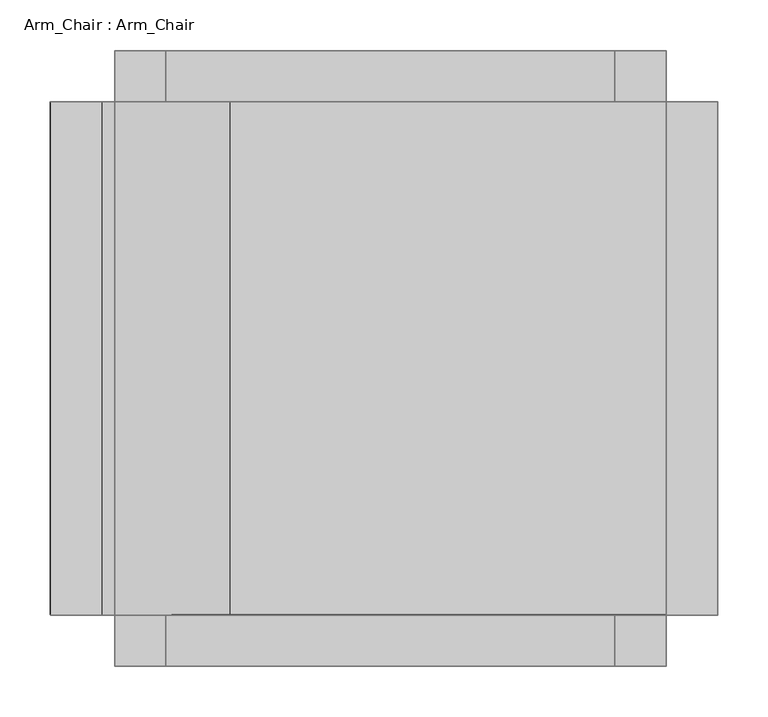
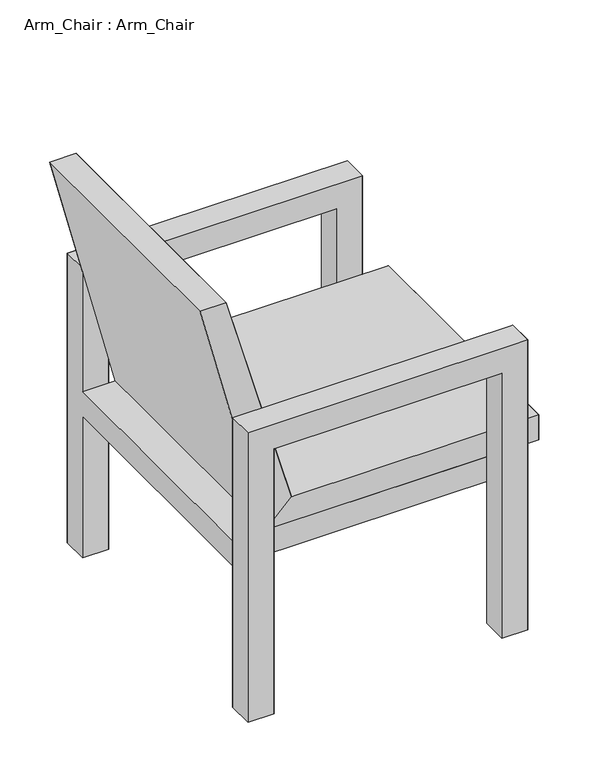
"""IFC4 building model written with IfcOpenShell, lengths in millimetres: furniture geometry, Arm_Chair : Arm_Chair."""

from ifc_helpers import new_model, si_unit, origin, place, context, project, spatial, triangles, source, transform, mapped, element, save


def arm_chair_arm_chair_cb7ce317(model_context):
    return source(origin(), model_context, "Body", "Tessellation", [
        triangles([(63.4999985, -253.9999939, 342.9000363), (609.6, -253.9999939, 342.9000363), (609.6, 253.9999939, 342.8999637), (63.4999985, 253.9999939, 342.8999637), (609.6, -304.8, 596.9000484), (609.6, -253.9999939, 596.9000121), (63.4999985, -304.8, 596.9000484), (63.4999985, -253.9999939, 596.9000121), (609.6, 253.9999939, 596.9000121), (609.6, 304.8, 596.8999394), (63.4999985, 304.8, 596.8999394), (63.4999985, 253.9999939, 596.9000121)], [[1, 2, 3], [3, 4, 1], [5, 6, 7], [8, 7, 6], [9, 10, 11], [11, 12, 9]], closed=False),
        triangles([(609.6, -253.9999939, 342.9000363), (609.6, -253.9999939, 292.1000303), (609.6, 253.9999939, 342.8999637), (609.6, 253.9999939, 292.0999758), (609.6, 304.8000363, 596.8999394), (609.6, 254.0000303, 596.9000121), (609.6, 304.7999818, -2.66e-05), (609.6, 253.9999758, -2.22e-05), (63.4999985, 304.8000363, 596.8999394), (63.4999985, 254.0000303, 596.9000121), (63.4999985, 304.7999818, -2.66e-05), (63.4999985, 253.9999758, -2.22e-05), (63.4999985, -253.9999939, 342.9000363), (63.4999985, -253.9999939, 292.1000303), (63.4999985, 253.9999939, 342.8999637), (63.4999985, 253.9999939, 292.0999758), (63.4999985, -253.9999758, 596.9000121), (63.4999985, -304.7999818, 596.9000484), (63.4999985, -254.0000303, 2.22e-05), (63.4999985, -304.8000363, 2.66e-05), (609.6, -253.9999758, 596.9000121), (609.6, -304.7999818, 596.9000484), (609.6, -254.0000303, 2.22e-05), (609.6, -304.8000363, 2.66e-05), (558.8000121, 304.8000363, 546.0999516), (558.8000121, 254.0000303, 546.0999879), (558.8000121, 304.7999818, -2.66e-05), (558.8000121, 253.9999758, -2.22e-05), (114.3, 254.0000303, 546.0999879), (114.3, 253.9999758, -2.22e-05), (114.3, 304.8000363, 546.0999516), (114.3, 304.7999818, -2.66e-05), (558.8000121, -253.9999758, 546.0999879), (558.8000121, -304.7999818, 546.1000606), (558.8000121, -254.0000303, 2.22e-05), (558.8000121, -304.8000363, 2.66e-05), (114.3, -304.7999818, 546.1000606), (114.3, -304.8000363, 2.66e-05), (114.3, -253.9999758, 546.0999879), (114.3, -254.0000303, 2.22e-05)], [[1, 2, 3], [4, 3, 2], [5, 6, 7], [8, 7, 6], [9, 10, 11], [12, 11, 10], [13, 14, 15], [16, 15, 14], [17, 18, 19], [20, 19, 18], [21, 22, 23], [24, 23, 22], [25, 26, 27], [28, 27, 26], [29, 30, 31], [32, 31, 30], [33, 34, 35], [36, 35, 34], [37, 38, 39], [40, 39, 38]], closed=False),
        triangles([(609.6, 304.8000363, 596.8999394), (609.6, 304.7999818, -2.66e-05), (558.8000121, 304.8000363, 546.0999516), (558.8000121, 304.7999818, -2.66e-05), (63.4999985, 304.8000363, 596.8999394), (114.3, 304.8000363, 546.0999516), (63.4999985, 304.7999818, -2.66e-05), (114.3, 304.7999818, -2.66e-05), (63.4999985, 254.0000303, 596.9000121), (114.3, 254.0000303, 546.0999879), (63.4999985, 253.9999758, -2.22e-05), (114.3, 253.9999758, -2.22e-05), (609.6, 254.0000303, 596.9000121), (558.8000121, 254.0000303, 546.0999879), (609.6, 253.9999758, -2.22e-05), (558.8000121, 253.9999758, -2.22e-05), (609.6, -304.7999818, 596.9000484), (609.6, -304.8000363, 2.66e-05), (558.8000121, -304.7999818, 546.1000606), (558.8000121, -304.8000363, 2.66e-05), (63.4999985, -304.7999818, 596.9000484), (114.3, -304.7999818, 546.1000606), (63.4999985, -304.8000363, 2.66e-05), (114.3, -304.8000363, 2.66e-05), (63.4999985, -253.9999758, 596.9000121), (114.3, -253.9999758, 546.0999879), (63.4999985, -254.0000303, 2.22e-05), (114.3, -254.0000303, 2.22e-05), (609.6, -253.9999758, 596.9000121), (558.8000121, -253.9999758, 546.0999879), (609.6, -254.0000303, 2.22e-05), (558.8000121, -254.0000303, 2.22e-05), (63.4999985, 253.9999939, 342.8999637), (609.6, 253.9999939, 342.8999637), (63.4999985, 253.9999939, 292.0999758), (609.6, 253.9999939, 292.0999758), (63.4999985, -253.9999939, 342.9000363), (609.6, -253.9999939, 342.9000363), (63.4999985, -253.9999939, 292.1000303), (609.6, -253.9999939, 292.1000303)], [[1, 2, 3], [4, 3, 2], [1, 3, 5], [6, 5, 3], [5, 6, 7], [8, 7, 6], [9, 10, 11], [12, 11, 10], [13, 14, 9], [10, 9, 14], [13, 15, 14], [16, 14, 15], [17, 18, 19], [20, 19, 18], [17, 19, 21], [22, 21, 19], [21, 22, 23], [24, 23, 22], [25, 26, 27], [28, 27, 26], [29, 30, 25], [26, 25, 30], [29, 31, 30], [32, 30, 31], [33, 34, 35], [36, 35, 34], [37, 38, 39], [40, 39, 38]], closed=False),
        triangles([(660.4000242, -254.0000303, 393.7000242), (660.4000242, 253.9999758, 393.6999879), (177.7999939, -254.0000303, 393.7000242), (177.7999939, 253.9999758, 393.6999879), (50.8000015, -253.9999758, 838.2), (50.8000015, 254.0000303, 838.2), (0.0, -253.9999758, 838.2), (0.0, 254.0000303, 838.2)], [[1, 2, 3], [4, 3, 2], [5, 6, 7], [8, 7, 6]], closed=False),
        triangles([(660.4000242, -254.0000303, 393.7000242), (660.4000242, -254.0000303, 342.9000363), (660.4000242, 253.9999758, 393.6999879), (660.4000242, 253.9999758, 342.8999637), (177.7999939, -254.0000303, 393.7000242), (177.7999939, 253.9999758, 393.6999879), (50.8000015, -253.9999758, 838.2), (50.8000015, 254.0000303, 838.2), (126.999997, 253.9999758, 342.8999637), (0.0, 254.0000303, 838.2), (126.999997, -254.0000303, 342.9000363), (0.0, -253.9999758, 838.2)], [[1, 2, 3], [4, 3, 2], [5, 6, 7], [8, 7, 6], [9, 10, 11], [12, 11, 10]], closed=False),
        triangles([(177.7999939, -253.9999939, 393.7000242), (660.4000242, -253.9999939, 393.7000242), (126.999997, -253.9999939, 342.9000363), (660.4000242, -253.9999939, 342.9000363), (177.7999939, 253.9999939, 393.6999879), (660.4000242, 253.9999939, 393.6999879), (126.999997, 253.9999939, 342.8999637), (660.4000242, 253.9999939, 342.8999637)], [[1, 2, 3], [4, 3, 2], [5, 6, 7], [8, 7, 6]], closed=False),
        triangles([(50.8000015, -253.9999758, 838.2), (177.7999939, -254.0000303, 393.7000242), (0.0, -253.9999758, 838.2), (126.999997, -254.0000303, 342.9000363), (50.8000015, 254.0000303, 838.2), (177.7999939, 253.9999758, 393.6999879), (0.0, 254.0000303, 838.2), (126.999997, 253.9999758, 342.8999637)], [[1, 2, 3], [4, 3, 2], [5, 6, 7], [8, 7, 6]], closed=False),
    ])


if __name__ == "__main__":
    model = new_model("IFC4")
    model_context = context("Model", 3, world=origin())
    ifc_project = project(units=[si_unit("LENGTHUNIT", "METRE", prefix="MILLI")], contexts=[model_context])
    site = spatial("IfcSite", under=ifc_project)
    building = spatial("IfcBuilding", under=site)
    placement = place(None, origin())
    arm_chair_arm_chair_shape = arm_chair_arm_chair_cb7ce317(model_context)
    element("IfcFurniture", 1, ObjectType="Arm_Chair : Arm_Chair", at=placement, inside=building, context=model_context, shape_type="MappedRepresentation", body=[
        mapped(arm_chair_arm_chair_shape, transform((0.0, 0.0, 0.0), x_axis=(1.0, 0.0, 0.0), y_axis=(0.0, 1.0, 0.0), z_axis=(0.0, 0.0, 1.0))),
    ])
    save(model, "model.ifc")
